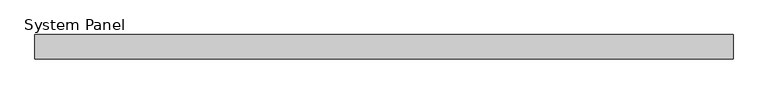
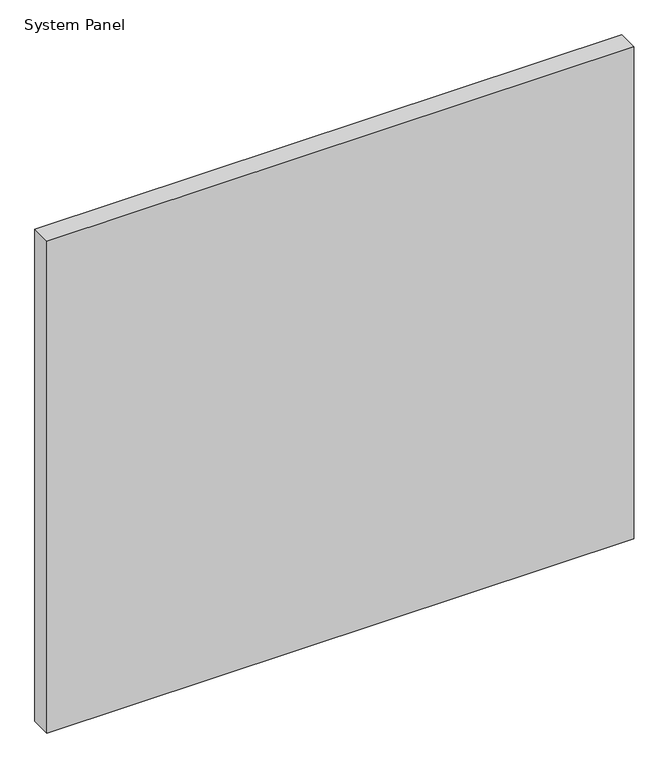
"""IFC4 building model written with IfcOpenShell, lengths in millimetres: plate geometry, System Panel."""

from ifc_helpers import new_model, si_unit, origin, origin_with_axes, place, context, project, spatial, polyline, outline, extrude, source, transform, mapped, element, save


def system_panel_6d8e1ec1(model_context):
    return source(origin(), model_context, "Body", "SweptSolid", [
        extrude(outline(polyline([(570.0, -54.0), (-570.0, -54.0), (-570.0, -14.0), (570.0, -14.0), (570.0, -54.0)])), origin_with_axes(), (0.0, 0.0, 1.0), 1010.0),
    ])


if __name__ == "__main__":
    model = new_model("IFC4")
    model_context = context("Model", 3, world=origin())
    ifc_project = project(units=[si_unit("LENGTHUNIT", "METRE", prefix="MILLI")], contexts=[model_context])
    site = spatial("IfcSite", under=ifc_project)
    building = spatial("IfcBuilding", under=site)
    placement = place(None, origin())
    system_panel_shape = system_panel_6d8e1ec1(model_context)
    element("IfcPlate", 1, ObjectType="System Panel", at=placement, inside=building, context=model_context, shape_type="MappedRepresentation", body=[
        mapped(system_panel_shape, transform((0.0, 0.0, 0.0), x_axis=(1.0, 0.0, 0.0), y_axis=(0.0, 1.0, 0.0), z_axis=(0.0, 0.0, 1.0))),
    ])
    save(model, "model.ifc")
